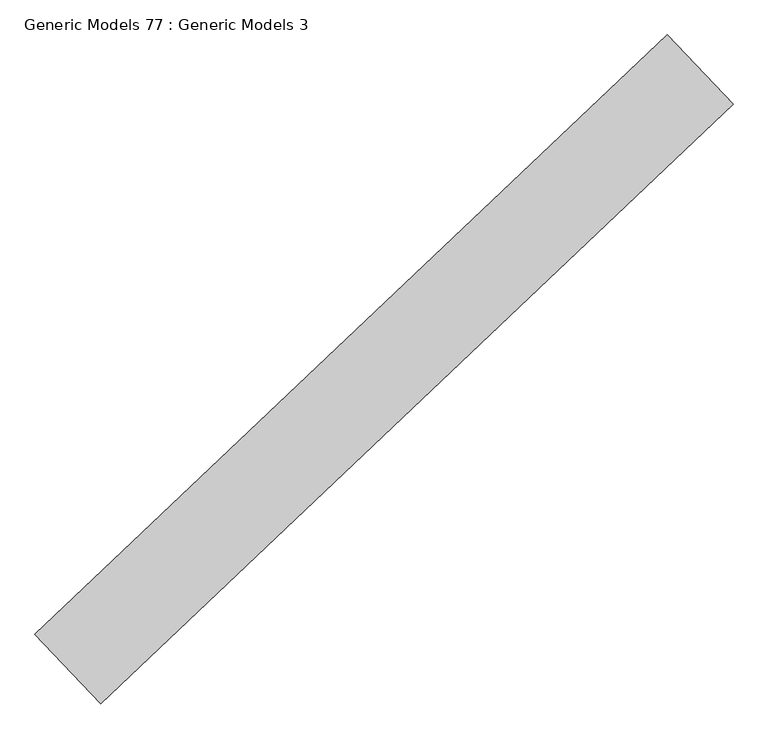
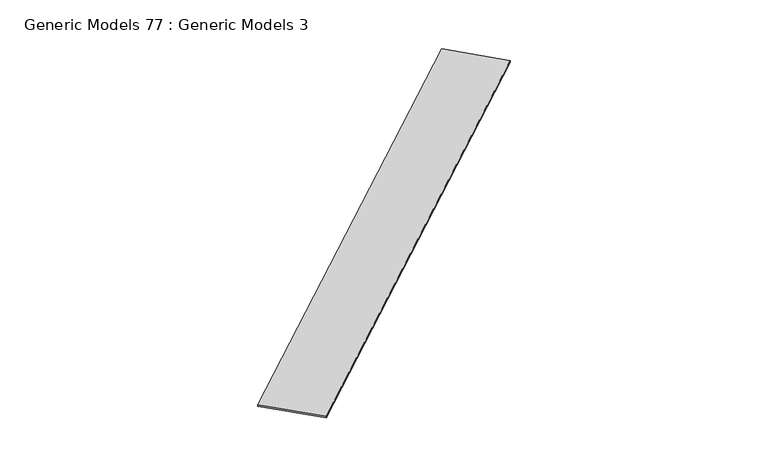
"""IFC4 building model written with IfcOpenShell, lengths in millimetres: proxy geometry, Generic Models 77 : Generic Models 3."""

from ifc_helpers import new_model, si_unit, frame, origin, place, context, project, spatial, polyline, outline, extrude, source, transform, mapped, element, save


def generic_models_77_generic_models_3_c3a6a369(model_context):
    return source(origin(), model_context, "Body", "SweptSolid", [
        extrude(outline(polyline([(111151.6367545, 51880.0950555), (111494.7643016, 51518.5140659), (108208.2925045, 48399.768781), (107865.1649574, 48761.3497706), (111151.6367545, 51880.0950555)])), frame((0.0, 0.0, 18633.1233985), z_axis=(0.0, 0.0, 1.0), x_axis=(1.0, 0.0, 0.0)), (0.0, 0.0, 1.0), 12.7),
    ])


if __name__ == "__main__":
    model = new_model("IFC4")
    model_context = context("Model", 3, world=origin())
    ifc_project = project(units=[si_unit("LENGTHUNIT", "METRE", prefix="MILLI")], contexts=[model_context])
    site = spatial("IfcSite", under=ifc_project)
    building = spatial("IfcBuilding", under=site)
    placement = place(None, origin())
    generic_models_77_generic_models_3_shape = generic_models_77_generic_models_3_c3a6a369(model_context)
    element("IfcBuildingElementProxy", 1, Name="Generic Models 77 : Generic Models 3", ObjectType="Generic Models 77 : Generic Models 3", at=placement, inside=building, context=model_context, shape_type="MappedRepresentation", body=[
        mapped(generic_models_77_generic_models_3_shape, transform((0.0, 0.0, 0.0), x_axis=(1.0, 0.0, 0.0), y_axis=(0.0, 1.0, 0.0), z_axis=(0.0, 0.0, 1.0))),
    ])
    save(model, "model.ifc")
